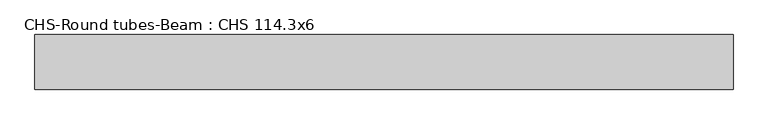
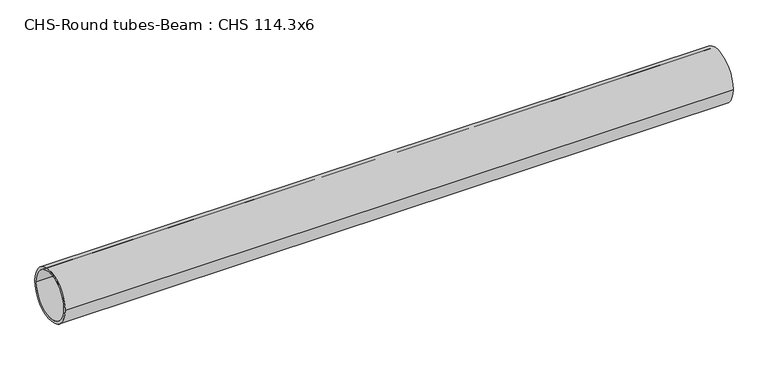
"""IFC4 building model written with IfcOpenShell, lengths in millimetres: beam geometry, CHS-Round tubes-Beam : CHS 114.3x6."""

from ifc_helpers import new_model, si_unit, point, frame, origin, origin_2d, place, context, project, spatial, circle_curve, trimmed, segment, composite_curve, outline, extrude, source, transform, mapped, element, save


def chs_round_tubes_beam_chs_114_3x6_81be7f7a(model_context):
    return source(origin(), model_context, "Body", "SweptSolid", [
        extrude(outline(composite_curve([segment(trimmed(circle_curve(origin_2d(), 57.15), [point((57.15, 0.0))], [point((-57.15, 0.0))], False, "CARTESIAN"), True, "CONTINUOUS"), segment(trimmed(circle_curve(origin_2d(), 57.15), [point((-57.15, 0.0))], [point((57.15, 0.0))], False, "CARTESIAN"), True, "CONTINUOUS")], self_intersect=False), holes=[composite_curve([segment(trimmed(circle_curve(origin_2d(), 51.15), [point((51.15, 0.0))], [point((-51.15, 0.0))], True, "CARTESIAN"), True, "CONTINUOUS"), segment(trimmed(circle_curve(origin_2d(), 51.15), [point((-51.15, 0.0))], [point((51.15, 0.0))], True, "CARTESIAN"), True, "CONTINUOUS")], self_intersect=False)]), frame((-720.283991, 0.0, 0.0), z_axis=(1.0, 0.0, 0.0), x_axis=(0.0, 1.0, 0.0)), (0.0, 0.0, 1.0), 1461.1396746),
    ])


if __name__ == "__main__":
    model = new_model("IFC4")
    model_context = context("Model", 3, world=origin())
    ifc_project = project(units=[si_unit("LENGTHUNIT", "METRE", prefix="MILLI")], contexts=[model_context])
    site = spatial("IfcSite", under=ifc_project)
    building = spatial("IfcBuilding", under=site)
    placement = place(None, origin())
    chs_round_tubes_beam_chs_114_3x6_shape = chs_round_tubes_beam_chs_114_3x6_81be7f7a(model_context)
    element("IfcBeam", 1, ObjectType="CHS-Round tubes-Beam : CHS 114.3x6", at=placement, inside=building, context=model_context, shape_type="MappedRepresentation", body=[
        mapped(chs_round_tubes_beam_chs_114_3x6_shape, transform((0.0, 0.0, 0.0), x_axis=(1.0, 0.0, 0.0), y_axis=(0.0, 1.0, 0.0), z_axis=(0.0, 0.0, 1.0))),
    ])
    save(model, "model.ifc")
